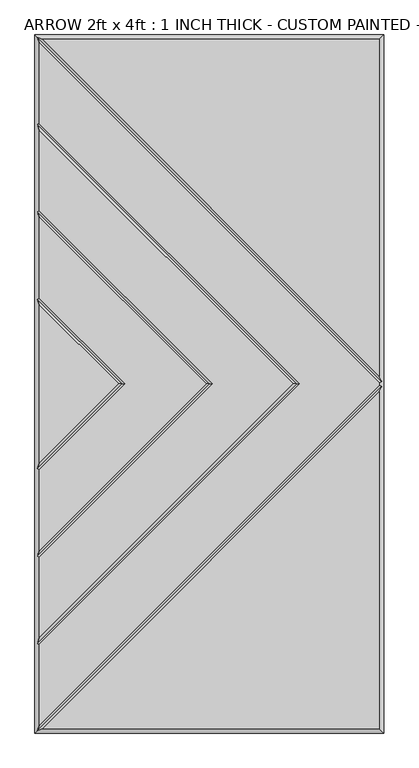
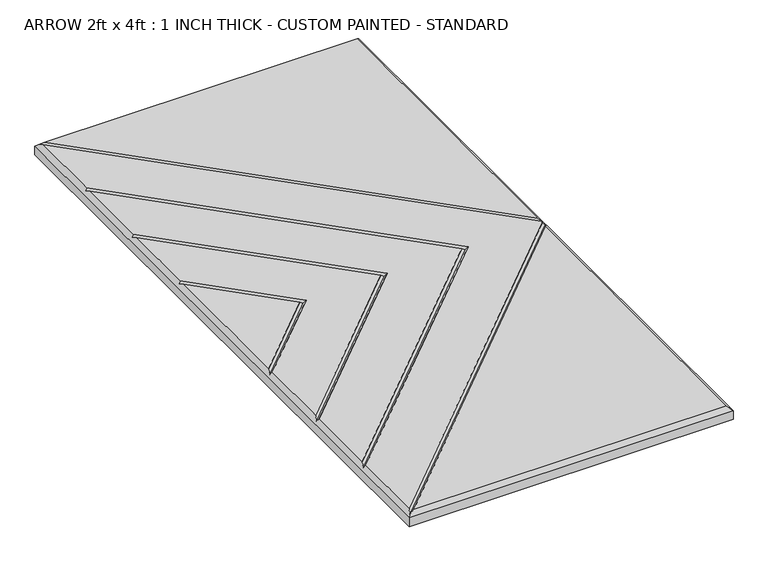
"""IFC4 building model written with IfcOpenShell, lengths in millimetres: proxy geometry, ARROW 2ft x 4ft : 1 INCH THICK - CUSTOM PAINTED - STANDARD."""

from ifc_helpers import new_model, si_unit, origin, place, context, project, spatial, faceted_brep, source, transform, mapped, element, save


def arrow_2ft_x_4ft_1_inch_thick_custom_painted_standard_06898c8e(model_context):
    return source(origin(), model_context, "Body", "Brep", [
        faceted_brep([(296.799, -2.3434386, 25.4), (296.799, 2.3434386, 25.4), (-296.799, 595.9414386, 25.4), (-296.799, 454.8565868, 25.4), (158.0575614, 2.54e-05, 25.4), (-296.799, -454.856536, 25.4), (-296.799, -595.9414386, 25.4), (296.799, 601.599, 25.4), (-291.1414386, 601.599, 25.4), (296.799, 13.6585614, 25.4), (-291.1414386, -601.599, 25.4), (296.799, -601.599, 25.4), (296.799, -13.6585614, 25.4), (146.7424386, 2.54e-05, 25.4), (-296.799, 443.541464, 25.4), (-296.799, 302.4565868, 25.4), (5.6575614, 2.54e-05, 25.4), (-296.799, -302.456536, 25.4), (-296.799, -443.5414132, 25.4), (-5.6575614, 2.54e-05, 25.4), (-296.799, 291.141464, 25.4), (-296.799, 150.0565868, 25.4), (-146.7424386, 2.54e-05, 25.4), (-296.799, -150.056536, 25.4), (-296.799, -291.1414132, 25.4), (-296.799, 138.741464, 25.4), (-296.799, -138.7414132, 25.4), (-158.0575614, 2.54e-05, 25.4), (-304.8, 609.6, 0.0), (304.8, 609.6, 0.0), (304.8, -609.6, 0.0), (-304.8, -609.6, 0.0), (-304.8, -609.6, 17.399), (-304.8, 609.6, 17.399), (304.8, -609.6, 17.399), (304.8, 609.6, 17.399), (-300.7995, 605.5995, 21.3995), (-300.7995, -605.5995, 21.3995), (-300.7995, -453.1994746, 21.3995), (-300.7995, -300.7994746, 21.3995), (-300.7995, -148.3994746, 21.3995), (-300.7995, 148.3995254, 21.3995), (-300.7995, 300.7995254, 21.3995), (-300.7995, 453.1995254, 21.3995), (300.7995, 4.0005, 21.3995), (300.7995, -4.0005, 21.3995), (152.4, 2.54e-05, 21.3995), (0.0, 2.54e-05, 21.3995), (-152.4, 2.54e-05, 21.3995)], [[[0, 1, 2, 3, 4, 5, 6]], [[7, 8, 9]], [[10, 11, 12]], [[13, 14, 15, 16, 17, 18]], [[19, 20, 21, 22, 23, 24]], [[25, 26, 27]], [[28, 29, 30, 31]], [[28, 31, 32, 33]], [[31, 30, 34, 32]], [[30, 29, 35, 34]], [[29, 28, 33, 35]], [[7, 35, 33, 36, 8]], [[33, 32, 37, 6, 5, 38, 18, 17, 39, 24, 23, 40, 26, 25, 41, 21, 20, 42, 15, 14, 43, 3, 2, 36]], [[34, 11, 10, 37, 32]], [[35, 7, 9, 44, 1, 0, 45, 12, 11, 34]], [[36, 44, 9, 8]], [[44, 36, 2, 1]], [[45, 37, 10, 12]], [[37, 45, 0, 6]], [[46, 4, 3, 43]], [[13, 46, 43, 14]], [[4, 46, 38, 5]], [[46, 13, 18, 38]], [[47, 16, 15, 42]], [[19, 47, 42, 20]], [[16, 47, 39, 17]], [[47, 19, 24, 39]], [[48, 22, 21, 41]], [[27, 48, 41, 25]], [[22, 48, 40, 23]], [[48, 27, 26, 40]]]),
    ])


if __name__ == "__main__":
    model = new_model("IFC4")
    model_context = context("Model", 3, world=origin())
    ifc_project = project(units=[si_unit("LENGTHUNIT", "METRE", prefix="MILLI")], contexts=[model_context])
    site = spatial("IfcSite", under=ifc_project)
    building = spatial("IfcBuilding", under=site)
    placement = place(None, origin())
    arrow_2ft_x_4ft_1_inch_thick_custom_painted_standard_shape = arrow_2ft_x_4ft_1_inch_thick_custom_painted_standard_06898c8e(model_context)
    element("IfcBuildingElementProxy", 1, Name="ARROW 2ft x 4ft : 1 INCH THICK - CUSTOM PAINTED - STANDARD", ObjectType="ARROW 2ft x 4ft : 1 INCH THICK - CUSTOM PAINTED - STANDARD", at=placement, inside=building, context=model_context, shape_type="MappedRepresentation", body=[
        mapped(arrow_2ft_x_4ft_1_inch_thick_custom_painted_standard_shape, transform((0.0, 0.0, 0.0), x_axis=(1.0, 0.0, 0.0), y_axis=(0.0, 1.0, 0.0), z_axis=(0.0, 0.0, 1.0))),
    ])
    save(model, "model.ifc")
